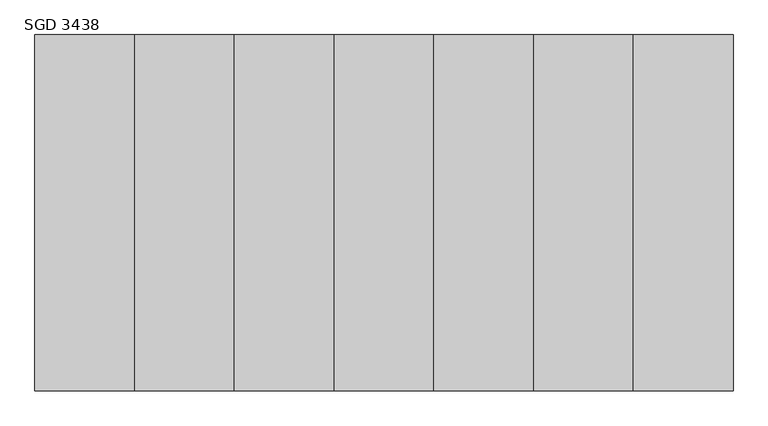
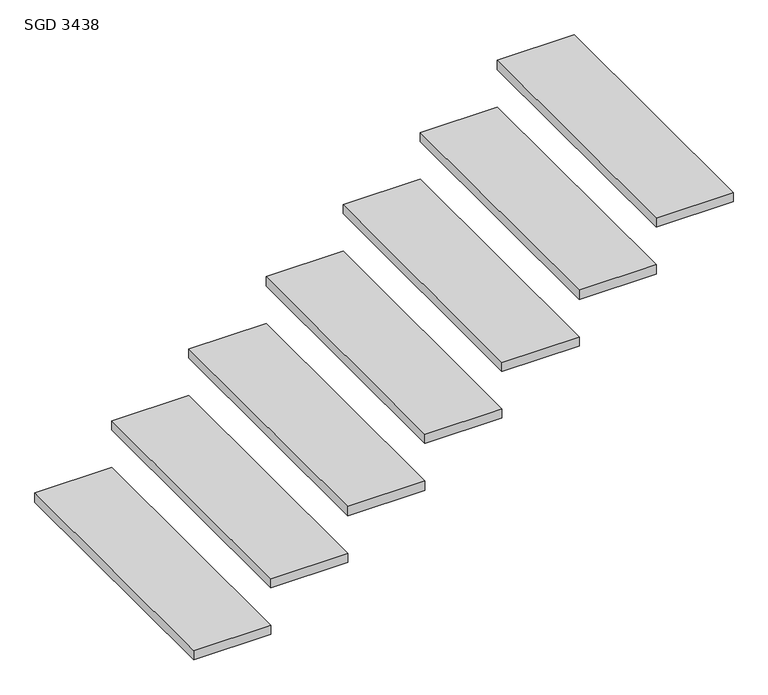
"""IFC4 building model written with IfcOpenShell, lengths in millimetres: stair flight geometry, SGD 3438."""

from ifc_helpers import new_model, si_unit, frame, origin, place, context, project, spatial, polyline, outline, extrude, source, transform, mapped, element, save


def sgd_3438_b9371a3b(model_context):
    return source(origin(), model_context, "Body", "SweptSolid", [
        extrude(outline(polyline([(-2186.4074117, 340.9233624), (-2186.4074117, -659.0766376), (-2466.4074117, -659.0766376), (-2466.4074117, 340.9233624), (-2186.4074117, 340.9233624)])), frame((0.0, 0.0, -3714.490044), z_axis=(0.0, 0.0, 1.0), x_axis=(1.0, 0.0, 0.0)), (0.0, 0.0, 1.0), 35.0),
        extrude(outline(polyline([(-1906.4074117, 340.9233624), (-1906.4074117, -659.0766376), (-2186.4074117, -659.0766376), (-2186.4074117, 340.9233624), (-1906.4074117, 340.9233624)])), frame((0.0, 0.0, -3535.1959264), z_axis=(0.0, 0.0, 1.0), x_axis=(1.0, 0.0, 0.0)), (0.0, 0.0, 1.0), 35.0),
        extrude(outline(polyline([(-1626.4074117, 340.9233624), (-1626.4074117, -659.0766376), (-1906.4074117, -659.0766376), (-1906.4074117, 340.9233624), (-1626.4074117, 340.9233624)])), frame((0.0, 0.0, -3355.9018087), z_axis=(0.0, 0.0, 1.0), x_axis=(1.0, 0.0, 0.0)), (0.0, 0.0, 1.0), 35.0),
        extrude(outline(polyline([(-1346.4074117, 340.9233624), (-1346.4074117, -659.0766376), (-1626.4074117, -659.0766376), (-1626.4074117, 340.9233624), (-1346.4074117, 340.9233624)])), frame((0.0, 0.0, -3176.6076911), z_axis=(0.0, 0.0, 1.0), x_axis=(1.0, 0.0, 0.0)), (0.0, 0.0, 1.0), 35.0),
        extrude(outline(polyline([(-1066.4074117, 340.9233624), (-1066.4074117, -659.0766376), (-1346.4074117, -659.0766376), (-1346.4074117, 340.9233624), (-1066.4074117, 340.9233624)])), frame((0.0, 0.0, -2997.3135734), z_axis=(0.0, 0.0, 1.0), x_axis=(1.0, 0.0, 0.0)), (0.0, 0.0, 1.0), 35.0),
        extrude(outline(polyline([(-786.4074117, 340.9233624), (-786.4074117, -659.0766376), (-1066.4074117, -659.0766376), (-1066.4074117, 340.9233624), (-786.4074117, 340.9233624)])), frame((0.0, 0.0, -2818.0194558), z_axis=(0.0, 0.0, 1.0), x_axis=(1.0, 0.0, 0.0)), (0.0, 0.0, 1.0), 35.0),
        extrude(outline(polyline([(-506.4074117, 340.9233624), (-506.4074117, -659.0766376), (-786.4074117, -659.0766376), (-786.4074117, 340.9233624), (-506.4074117, 340.9233624)])), frame((0.0, 0.0, -2638.7253381), z_axis=(0.0, 0.0, 1.0), x_axis=(1.0, 0.0, 0.0)), (0.0, 0.0, 1.0), 35.0),
    ])


if __name__ == "__main__":
    model = new_model("IFC4")
    model_context = context("Model", 3, world=origin())
    ifc_project = project(units=[si_unit("LENGTHUNIT", "METRE", prefix="MILLI")], contexts=[model_context])
    site = spatial("IfcSite", under=ifc_project)
    building = spatial("IfcBuilding", under=site)
    placement = place(None, origin())
    sgd_3438_shape = sgd_3438_b9371a3b(model_context)
    element("IfcStairFlight", 1, ObjectType="SGD 3438", at=placement, inside=building, context=model_context, shape_type="MappedRepresentation", body=[
        mapped(sgd_3438_shape, transform((0.0, 0.0, 0.0), x_axis=(1.0, 0.0, 0.0), y_axis=(0.0, 1.0, 0.0), z_axis=(0.0, 0.0, 1.0))),
    ])
    save(model, "model.ifc")
